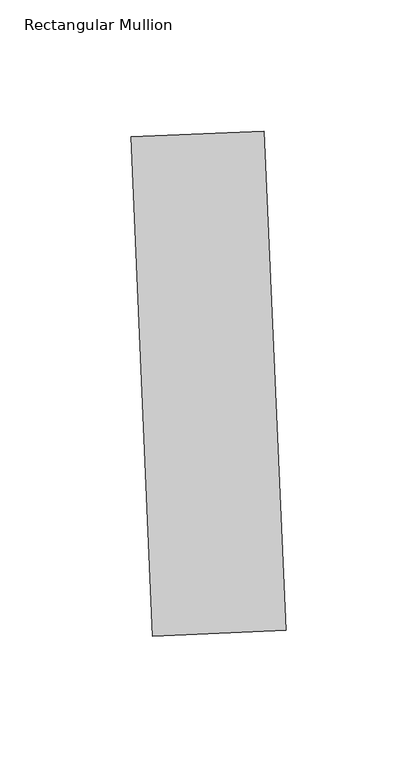
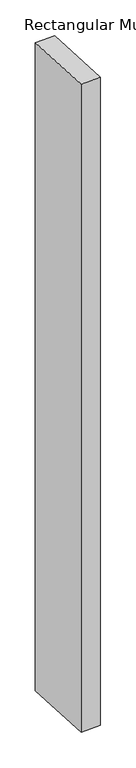
"""IFC4 building model written with IfcOpenShell, lengths in millimetres: member geometry, Rectangular Mullion."""

from ifc_helpers import new_model, si_unit, frame, origin, place, context, project, spatial, polyline, outline, extrude, source, transform, mapped, element, save


def rectangular_mullion_6cf17101(model_context):
    return source(origin(), model_context, "Body", "SweptSolid", [
        extrude(outline(polyline([(32.0234195, -151.1470165), (-18.7282302, -153.3628814), (-27.0377235, 36.9558048), (23.7139262, 39.1716697), (32.0234195, -151.1470165)])), frame((0.0, 0.0, -1765.3), z_axis=(0.0, 0.0, 1.0), x_axis=(1.0, 0.0, 0.0)), (0.0, 0.0, 1.0), 1765.3),
    ])


if __name__ == "__main__":
    model = new_model("IFC4")
    model_context = context("Model", 3, world=origin())
    ifc_project = project(units=[si_unit("LENGTHUNIT", "METRE", prefix="MILLI")], contexts=[model_context])
    site = spatial("IfcSite", under=ifc_project)
    building = spatial("IfcBuilding", under=site)
    placement = place(None, origin())
    rectangular_mullion_shape = rectangular_mullion_6cf17101(model_context)
    element("IfcMember", 1, ObjectType="Rectangular Mullion", at=placement, inside=building, context=model_context, shape_type="MappedRepresentation", body=[
        mapped(rectangular_mullion_shape, transform((0.0, 0.0, 0.0), x_axis=(1.0, 0.0, 0.0), y_axis=(0.0, 1.0, 0.0), z_axis=(0.0, 0.0, 1.0))),
    ])
    save(model, "model.ifc")
